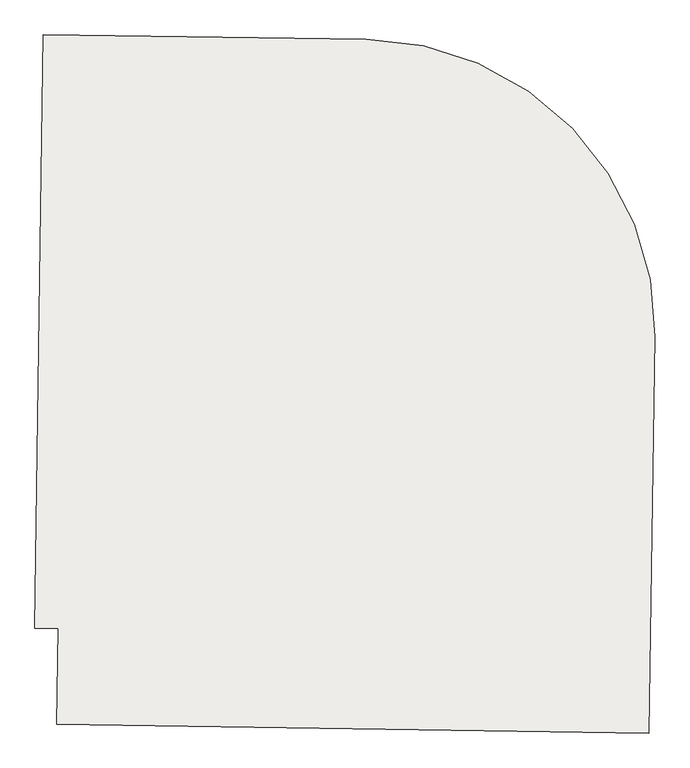
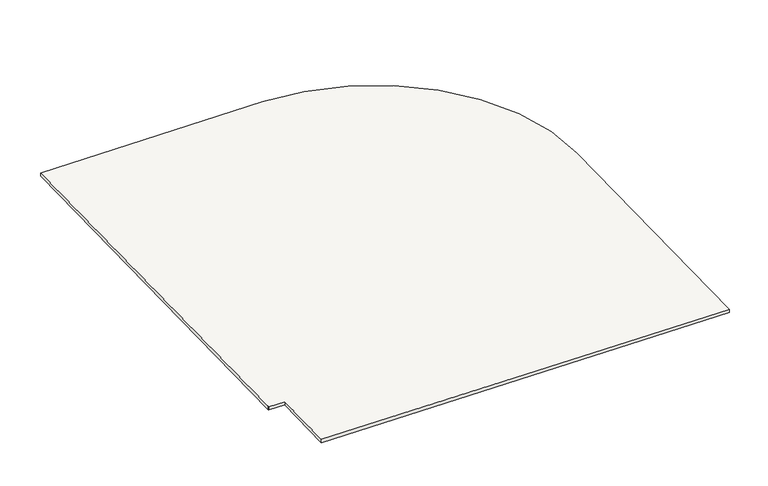
"""IFC4 building model written with IfcOpenShell, lengths in millimetres: slab geometry."""

from ifc_helpers import new_model, si_unit, point, frame, frame_2d, origin, place, context, project, spatial, polyline, circle_curve, trimmed, segment, composite_curve, outline, extrude, source, transform, mapped, element, save


def slab_b5d5f960(model_context):
    return source(origin(), model_context, "Body", "SweptSolid", [
        extrude(outline(composite_curve([segment(polyline([(-138009.7826208, 88138.0884149), (-136704.3786117, 88119.8603519)]), True, "CONTINUOUS"), segment(trimmed(circle_curve(frame_2d((-136720.9237954, 86934.975861)), 1185.0), [point((-136704.3786117, 88119.8603519))], [point((-135536.0567567, 86917.2247853))], False, "CARTESIAN"), True, "CONTINUOUS"), segment(polyline([(-135536.0567567, 86917.2247853), (-135560.0658332, 85314.6422816), (-137954.472041, 85350.5140584), (-137948.6818861, 85737.0012671), (-138043.2918536, 85738.3223573), (-138043.2239989, 85743.1817744), (-138009.7826208, 88138.0884149)]), True, "CONTINUOUS")], self_intersect=False)), frame((0.0, 0.0, 1923.5), z_axis=(0.0, 0.0, 1.0), x_axis=(1.0, 0.0, 0.0)), (0.0, 0.0, 1.0), 20.0),
    ])


if __name__ == "__main__":
    model = new_model("IFC4")
    model_context = context("Model", 3, world=origin())
    ifc_project = project(units=[si_unit("LENGTHUNIT", "METRE", prefix="MILLI")], contexts=[model_context])
    site = spatial("IfcSite", under=ifc_project)
    building = spatial("IfcBuilding", under=site)
    placement = place(None, origin())
    slab_shape = slab_b5d5f960(model_context)
    element("IfcSlab", 1, at=placement, inside=building, context=model_context, shape_type="MappedRepresentation", body=[
        mapped(slab_shape, transform((0.0, 0.0, 0.0), x_axis=(1.0, 0.0, 0.0), y_axis=(0.0, 1.0, 0.0), z_axis=(0.0, 0.0, 1.0))),
    ])
    save(model, "model.ifc")
